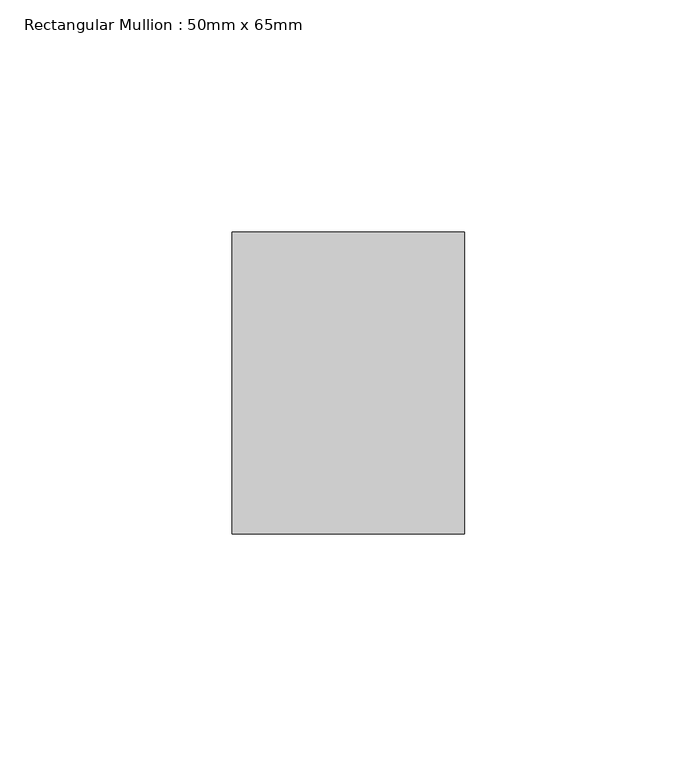
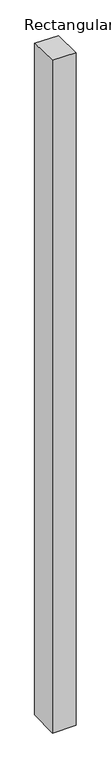
"""IFC4 building model written with IfcOpenShell, lengths in millimetres: member geometry, Rectangular Mullion : 50mm x 65mm."""

from ifc_helpers import new_model, si_unit, origin, place, context, project, spatial, faceted_brep, source, transform, mapped, element, save


def rectangular_mullion_50mm_x_65mm_75511790(model_context):
    return source(origin(), model_context, "Body", "Brep", [
        faceted_brep([(-25.0, 32.5, -0.7127044), (25.0, 32.5, -0.712712), (25.0, 32.5, -1499.1017911), (-25.0, 32.5, -1499.1018006), (-25.0, -32.5, 0.712712), (-25.0, -32.5, -1500.8977283), (25.0, -32.5, 0.7127044), (25.0, -32.5, -1500.8977187)], [[[0, 1, 2, 3]], [[4, 0, 3, 5]], [[6, 4, 5, 7]], [[1, 6, 7, 2]], [[1, 0, 4, 6]], [[2, 7, 5, 3]]]),
    ])


if __name__ == "__main__":
    model = new_model("IFC4")
    model_context = context("Model", 3, world=origin())
    ifc_project = project(units=[si_unit("LENGTHUNIT", "METRE", prefix="MILLI")], contexts=[model_context])
    site = spatial("IfcSite", under=ifc_project)
    building = spatial("IfcBuilding", under=site)
    placement = place(None, origin())
    rectangular_mullion_50mm_x_65mm_shape = rectangular_mullion_50mm_x_65mm_75511790(model_context)
    element("IfcMember", 1, ObjectType="Rectangular Mullion : 50mm x 65mm", at=placement, inside=building, context=model_context, shape_type="MappedRepresentation", body=[
        mapped(rectangular_mullion_50mm_x_65mm_shape, transform((0.0, 0.0, 0.0), x_axis=(1.0, 0.0, 0.0), y_axis=(0.0, 1.0, 0.0), z_axis=(0.0, 0.0, 1.0))),
    ])
    save(model, "model.ifc")
